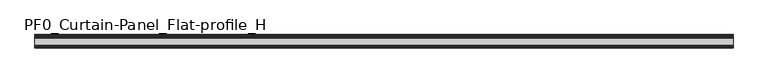
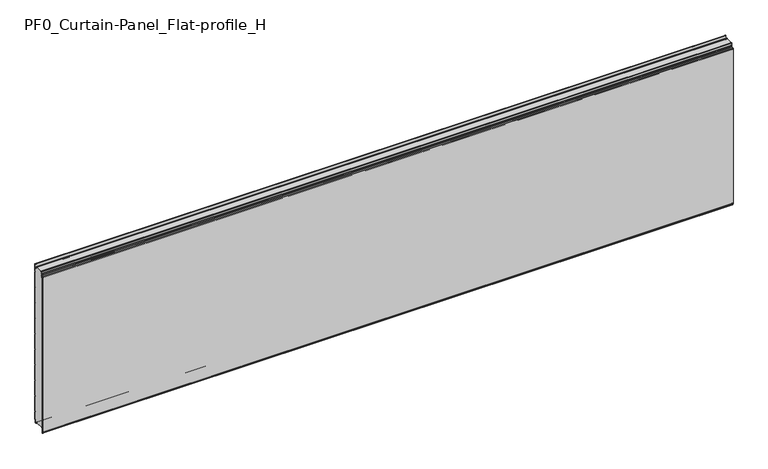
"""IFC4 building model written with IfcOpenShell, lengths in millimetres: plate geometry, PF0_Curtain-Panel_Flat-profile_H."""

from ifc_helpers import new_model, si_unit, point, frame, frame_2d, origin, place, context, project, spatial, polyline, circle_curve, trimmed, segment, composite_curve, outline, extrude, source, transform, mapped, element, save
from ifc_brep_helpers import plane_surface, cylinder_surface, revolved_surface, advanced_brep


def pf0_curtain_panel_flat_profile_h_52bb1f11(model_context):
    return source(origin(), model_context, "Body", "SolidModel", [
        advanced_brep(
        [(-2100.0, -15.878557, 0.0), (-2100.0, -20.0, 0.0), (-2100.0, -20.0, 0.8), (-2100.0, -15.878557, 0.8), (-2100.0, -13.1503208, -1.370137), (-2100.0, -11.728236, -7.529863), (-2100.0, -6.2, -6.9), (-2100.0, -6.2, 8.6), (-2100.0, -3.4, 11.4), (-2100.0, -2.0, 11.4), (-2100.0, -0.8, 12.6), (-2100.0, -0.8, 57.6856412), (-2100.0, -2.482606, 60.6), (-2100.0, -0.8, 63.5143588), (-2100.0, -0.8, 157.6856412), (-2100.0, -2.482606, 160.6), (-2100.0, -0.8, 163.5143588), (-2100.0, -0.8, 257.6856412), (-2100.0, -2.482606, 260.6), (-2100.0, -0.8, 263.5143588), (-2100.0, -0.8, 357.6856412), (-2100.0, -2.482606, 360.6), (-2100.0, -0.8, 363.5143588), (-2100.0, -0.8, 457.6856412), (-2100.0, -2.482606, 460.6), (-2100.0, -0.8, 463.5143588), (-2100.0, -0.8, 557.6856412), (-2100.0, -2.482606, 560.6), (-2100.0, -0.8, 563.5143588), (-2100.0, -0.8, 657.6856412), (-2100.0, -2.482606, 660.6), (-2100.0, -0.8, 663.5143588), (-2100.0, -0.8, 757.6856412), (-2100.0, -2.482606, 760.6), (-2100.0, -0.8, 763.5143588), (-2100.0, -0.8, 857.6856412), (-2100.0, -2.482606, 860.6), (-2100.0, -0.8, 863.5143588), (-2100.0, -0.8, 957.6856412), (-2100.0, -2.482606, 960.6), (-2100.0, -0.8, 963.5143588), (-2100.0, -0.8, 1008.1), (-2100.0, -4.2, 1008.1), (-2100.0, -4.2, 991.1), (-2100.0, -13.7270771, 990.2664884), (-2100.0, -14.8636953, 996.7125669), (-2100.0, -16.6363492, 998.2), (-2100.0, -20.0, 998.2), (-2100.0, -20.0, 999.0), (-2100.0, -16.6363492, 999.0), (-2100.0, -14.0758491, 996.8514855), (-2100.0, -12.939231, 990.405407), (-2100.0, -5.0, 991.1), (-2100.0, -5.0, 1008.1), (-2100.0, -2.5, 1010.6), (-2100.0, 0.0, 1008.1), (-2100.0, 0.0, 963.2999995), (-2100.0, -1.5588455, 960.6), (-2100.0, 0.0, 957.9000005), (-2100.0, 0.0, 863.2999995), (-2100.0, -1.5588455, 860.6), (-2100.0, 0.0, 857.9000005), (-2100.0, 0.0, 763.2999995), (-2100.0, -1.5588455, 760.6), (-2100.0, 0.0, 757.9000005), (-2100.0, 0.0, 663.2999995), (-2100.0, -1.5588455, 660.6), (-2100.0, 0.0, 657.9000005), (-2100.0, 0.0, 563.2999995), (-2100.0, -1.5588455, 560.6), (-2100.0, 0.0, 557.9000005), (-2100.0, 0.0, 463.2999995), (-2100.0, -1.5588455, 460.6), (-2100.0, 0.0, 457.9000005), (-2100.0, 0.0, 363.2999995), (-2100.0, -1.5588455, 360.6), (-2100.0, 0.0, 357.9000005), (-2100.0, 0.0, 263.2999995), (-2100.0, -1.5588455, 260.6), (-2100.0, 0.0, 257.9000005), (-2100.0, 0.0, 163.2999995), (-2100.0, -1.5588455, 160.6), (-2100.0, 0.0, 157.9000005), (-2100.0, 0.0, 63.2999995), (-2100.0, -1.5588455, 60.6), (-2100.0, 0.0, 57.9000005), (-2100.0, 0.0, 12.6), (-2100.0, -2.0, 10.6), (-2100.0, -3.4, 10.6), (-2100.0, -5.4, 8.6), (-2100.0, -5.4, -6.9), (-2100.0, -12.5077322, -7.7098239), (-2100.0, -13.929817, -1.5500979), (2100.0, -15.878557, 0.0), (2100.0, -13.9298169, -1.5500978), (2100.0, -12.507732, -7.7098239), (2100.0, -5.4, -6.9), (2100.0, -5.4, 8.6), (2100.0, -3.4, 10.6), (2100.0, -2.0, 10.6), (2100.0, 0.0, 12.6), (2100.0, 0.0, 57.9000005), (2100.0, -1.5588455, 60.6), (2100.0, 0.0, 63.2999995), (2100.0, 0.0, 157.9000005), (2100.0, -1.5588455, 160.6), (2100.0, 0.0, 163.2999995), (2100.0, 0.0, 257.9000005), (2100.0, -1.5588455, 260.6), (2100.0, 0.0, 263.2999995), (2100.0, 0.0, 357.9000005), (2100.0, -1.5588455, 360.6), (2100.0, 0.0, 363.2999995), (2100.0, 0.0, 457.9000005), (2100.0, -1.5588455, 460.6), (2100.0, 0.0, 463.2999995), (2100.0, 0.0, 557.9000005), (2100.0, -1.5588455, 560.6), (2100.0, 0.0, 563.2999995), (2100.0, 0.0, 657.9000005), (2100.0, -1.5588455, 660.6), (2100.0, 0.0, 663.2999995), (2100.0, 0.0, 757.9000005), (2100.0, -1.5588455, 760.6), (2100.0, 0.0, 763.2999995), (2100.0, 0.0, 857.9000005), (2100.0, -1.5588455, 860.6), (2100.0, 0.0, 863.2999995), (2100.0, 0.0, 957.9000005), (2100.0, -1.5588455, 960.6), (2100.0, 0.0, 963.2999995), (2100.0, 0.0, 1008.1), (2100.0, -2.5, 1010.6), (2100.0, -5.0, 1008.1), (2100.0, -5.0, 991.1), (2100.0, -12.939231, 990.405407), (2100.0, -14.0758491, 996.8514855), (2100.0, -16.6363492, 999.0), (2100.0, -20.0, 999.0), (2100.0, -20.0, 998.2), (2100.0, -16.6363492, 998.2), (2100.0, -14.8636953, 996.7125669), (2100.0, -13.7270772, 990.2664884), (2100.0, -4.2, 991.1), (2100.0, -4.2, 1008.1), (2100.0, -0.8, 1008.1), (2100.0, -0.8, 963.5143588), (2100.0, -2.482606, 960.6), (2100.0, -0.8, 957.6856412), (2100.0, -0.8, 863.5143588), (2100.0, -2.482606, 860.6), (2100.0, -0.8, 857.6856412), (2100.0, -0.8, 763.5143588), (2100.0, -2.482606, 760.6), (2100.0, -0.8, 757.6856412), (2100.0, -0.8, 663.5143588), (2100.0, -2.482606, 660.6), (2100.0, -0.8, 657.6856412), (2100.0, -0.8, 563.5143588), (2100.0, -2.482606, 560.6), (2100.0, -0.8, 557.6856412), (2100.0, -0.8, 463.5143588), (2100.0, -2.482606, 460.6), (2100.0, -0.8, 457.6856412), (2100.0, -0.8, 363.5143588), (2100.0, -2.482606, 360.6), (2100.0, -0.8, 357.6856412), (2100.0, -0.8, 263.5143588), (2100.0, -2.482606, 260.6), (2100.0, -0.8, 257.6856412), (2100.0, -0.8, 163.5143588), (2100.0, -2.482606, 160.6), (2100.0, -0.8, 157.6856412), (2100.0, -0.8, 63.5143588), (2100.0, -2.482606, 60.6), (2100.0, -0.8, 57.6856412), (2100.0, -0.8, 12.6), (2100.0, -2.0, 11.4), (2100.0, -3.4, 11.4), (2100.0, -6.2, 8.6), (2100.0, -6.2, -6.9), (2100.0, -11.7282362, -7.529863), (2100.0, -13.150321, -1.370137), (2100.0, -15.878557, 0.8), (2100.0, -20.0, 0.8), (2100.0, -20.0, 0.0)],
        [
            (0, 1),
            (1, 2),
            (2, 3),
            (3, 4, circle_curve(frame((-2100.0, -15.878557, -2.0), z_axis=(-1.0, 0.0, 0.0), x_axis=(0.0, 0.0, 1.0)), 2.8)),
            (4, 5),
            (5, 6, circle_curve(frame((-2100.0, -9.0, -6.9), z_axis=(1.0, 0.0, 0.0), x_axis=(0.0, 0.0, 1.0)), 2.8)),
            (6, 7),
            (7, 8, circle_curve(frame((-2100.0, -3.4, 8.6), z_axis=(-1.0, 0.0, 0.0), x_axis=(0.0, 0.0, 1.0)), 2.8)),
            (8, 9),
            (9, 10, circle_curve(frame((-2100.0, -2.0, 12.6), z_axis=(1.0, 0.0, 0.0), x_axis=(0.0, 0.0, 1.0)), 1.2)),
            (10, 11),
            (11, 12),
            (12, 13),
            (13, 14),
            (14, 15),
            (15, 16),
            (16, 17),
            (17, 18),
            (18, 19),
            (19, 20),
            (20, 21),
            (21, 22),
            (22, 23),
            (23, 24),
            (24, 25),
            (25, 26),
            (26, 27),
            (27, 28),
            (28, 29),
            (29, 30),
            (30, 31),
            (31, 32),
            (32, 33),
            (33, 34),
            (34, 35),
            (35, 36),
            (36, 37),
            (37, 38),
            (38, 39),
            (39, 40),
            (40, 41),
            (41, 42, circle_curve(frame((-2100.0, -2.5, 1008.1), z_axis=(1.0, 0.0, 0.0), x_axis=(0.0, 0.0, 1.0)), 1.7)),
            (42, 43),
            (43, 44, circle_curve(frame((-2100.0, -9.0, 991.1), z_axis=(-1.0, 0.0, 0.0), x_axis=(0.0, 0.0, 1.0)), 4.8)),
            (44, 45),
            (45, 46, circle_curve(frame((-2100.0, -16.6363492, 996.4), z_axis=(1.0, 0.0, 0.0), x_axis=(0.0, 0.0, 1.0)), 1.8)),
            (46, 47),
            (47, 48),
            (48, 49),
            (49, 50, circle_curve(frame((-2100.0, -16.6363492, 996.4), z_axis=(-1.0, 0.0, 0.0), x_axis=(0.0, 0.0, 1.0)), 2.6)),
            (50, 51),
            (51, 52, circle_curve(frame((-2100.0, -9.0, 991.1), z_axis=(1.0, 0.0, 0.0), x_axis=(0.0, 0.0, 1.0)), 4.0)),
            (52, 53),
            (53, 54, circle_curve(frame((-2100.0, -2.5, 1008.1), z_axis=(-1.0, 0.0, 0.0), x_axis=(0.0, 0.0, 1.0)), 2.5)),
            (54, 55, circle_curve(frame((-2100.0, -2.5, 1008.1), z_axis=(-1.0, 0.0, 0.0), x_axis=(0.0, 0.0, 1.0)), 2.5)),
            (55, 56),
            (56, 57),
            (57, 58),
            (58, 59),
            (59, 60),
            (60, 61),
            (61, 62),
            (62, 63),
            (63, 64),
            (64, 65),
            (65, 66),
            (66, 67),
            (67, 68),
            (68, 69),
            (69, 70),
            (70, 71),
            (71, 72),
            (72, 73),
            (73, 74),
            (74, 75),
            (75, 76),
            (76, 77),
            (77, 78),
            (78, 79),
            (79, 80),
            (80, 81),
            (81, 82),
            (82, 83),
            (83, 84),
            (84, 85),
            (85, 86),
            (86, 87, circle_curve(frame((-2100.0, -2.0, 12.6), z_axis=(-1.0, 0.0, 0.0), x_axis=(0.0, 0.0, 1.0)), 2.0)),
            (87, 88),
            (88, 89, circle_curve(frame((-2100.0, -3.4, 8.6), z_axis=(1.0, 0.0, 0.0), x_axis=(0.0, 0.0, 1.0)), 2.0)),
            (89, 90),
            (90, 91, circle_curve(frame((-2100.0, -9.0, -6.9), z_axis=(-1.0, 0.0, 0.0), x_axis=(0.0, 0.0, 1.0)), 3.6)),
            (91, 92),
            (92, 0, circle_curve(frame((-2100.0, -15.878557, -2.0), z_axis=(1.0, 0.0, 0.0), x_axis=(0.0, 0.0, 1.0)), 2.0)),
            (93, 94, circle_curve(frame((2100.0, -15.878557, -2.0), z_axis=(-1.0, 0.0, 0.0), x_axis=(0.0, 0.0, 1.0)), 2.0)),
            (94, 95),
            (95, 96, circle_curve(frame((2100.0, -9.0, -6.9), z_axis=(1.0, 0.0, 0.0), x_axis=(0.0, 0.0, 1.0)), 3.6)),
            (96, 97),
            (97, 98, circle_curve(frame((2100.0, -3.4, 8.6), z_axis=(-1.0, 0.0, 0.0), x_axis=(0.0, 0.0, 1.0)), 2.0)),
            (98, 99),
            (99, 100, circle_curve(frame((2100.0, -2.0, 12.6), z_axis=(1.0, 0.0, 0.0), x_axis=(0.0, 0.0, 1.0)), 2.0)),
            (100, 101),
            (101, 102),
            (102, 103),
            (103, 104),
            (104, 105),
            (105, 106),
            (106, 107),
            (107, 108),
            (108, 109),
            (109, 110),
            (110, 111),
            (111, 112),
            (112, 113),
            (113, 114),
            (114, 115),
            (115, 116),
            (116, 117),
            (117, 118),
            (118, 119),
            (119, 120),
            (120, 121),
            (121, 122),
            (122, 123),
            (123, 124),
            (124, 125),
            (125, 126),
            (126, 127),
            (127, 128),
            (128, 129),
            (129, 130),
            (130, 131),
            (131, 132, circle_curve(frame((2100.0, -2.5, 1008.1), z_axis=(1.0, 0.0, 0.0), x_axis=(0.0, 0.0, 1.0)), 2.5)),
            (132, 133, circle_curve(frame((2100.0, -2.5, 1008.1), z_axis=(1.0, 0.0, 0.0), x_axis=(0.0, 0.0, 1.0)), 2.5)),
            (133, 134),
            (134, 135, circle_curve(frame((2100.0, -9.0, 991.1), z_axis=(-1.0, 0.0, 0.0), x_axis=(0.0, 0.0, 1.0)), 4.0)),
            (135, 136),
            (136, 137, circle_curve(frame((2100.0, -16.6363492, 996.4), z_axis=(1.0, 0.0, 0.0), x_axis=(0.0, 0.0, 1.0)), 2.6)),
            (137, 138),
            (138, 139),
            (139, 140),
            (140, 141, circle_curve(frame((2100.0, -16.6363492, 996.4), z_axis=(-1.0, 0.0, 0.0), x_axis=(0.0, 0.0, 1.0)), 1.8)),
            (141, 142),
            (142, 143, circle_curve(frame((2100.0, -9.0, 991.1), z_axis=(1.0, 0.0, 0.0), x_axis=(0.0, 0.0, 1.0)), 4.8)),
            (143, 144),
            (144, 145, circle_curve(frame((2100.0, -2.5, 1008.1), z_axis=(-1.0, 0.0, 0.0), x_axis=(0.0, 0.0, 1.0)), 1.7)),
            (145, 146),
            (146, 147),
            (147, 148),
            (148, 149),
            (149, 150),
            (150, 151),
            (151, 152),
            (152, 153),
            (153, 154),
            (154, 155),
            (155, 156),
            (156, 157),
            (157, 158),
            (158, 159),
            (159, 160),
            (160, 161),
            (161, 162),
            (162, 163),
            (163, 164),
            (164, 165),
            (165, 166),
            (166, 167),
            (167, 168),
            (168, 169),
            (169, 170),
            (170, 171),
            (171, 172),
            (172, 173),
            (173, 174),
            (174, 175),
            (175, 176),
            (176, 177, circle_curve(frame((2100.0, -2.0, 12.6), z_axis=(-1.0, 0.0, 0.0), x_axis=(0.0, 0.0, 1.0)), 1.2)),
            (177, 178),
            (178, 179, circle_curve(frame((2100.0, -3.4, 8.6), z_axis=(1.0, 0.0, 0.0), x_axis=(0.0, 0.0, 1.0)), 2.8)),
            (179, 180),
            (180, 181, circle_curve(frame((2100.0, -9.0, -6.9), z_axis=(-1.0, 0.0, 0.0), x_axis=(0.0, 0.0, 1.0)), 2.8)),
            (181, 182),
            (182, 183, circle_curve(frame((2100.0, -15.878557, -2.0), z_axis=(1.0, 0.0, 0.0), x_axis=(0.0, 0.0, 1.0)), 2.8)),
            (183, 184),
            (184, 185),
            (185, 93),
            (0, 93),
            (185, 1),
            (184, 2),
            (183, 3),
            (182, 4),
            (181, 5),
            (180, 6),
            (179, 7),
            (178, 8),
            (177, 9),
            (176, 10),
            (175, 11),
            (174, 12),
            (173, 13),
            (172, 14),
            (171, 15),
            (170, 16),
            (169, 17),
            (168, 18),
            (167, 19),
            (166, 20),
            (165, 21),
            (164, 22),
            (163, 23),
            (162, 24),
            (161, 25),
            (160, 26),
            (159, 27),
            (158, 28),
            (157, 29),
            (156, 30),
            (155, 31),
            (154, 32),
            (153, 33),
            (152, 34),
            (151, 35),
            (150, 36),
            (149, 37),
            (148, 38),
            (147, 39),
            (146, 40),
            (145, 41),
            (144, 42),
            (143, 43),
            (142, 44),
            (141, 45),
            (140, 46),
            (139, 47),
            (138, 48),
            (137, 49),
            (136, 50),
            (135, 51),
            (134, 52),
            (133, 53),
            (131, 55),
            (130, 56),
            (129, 57),
            (128, 58),
            (127, 59),
            (126, 60),
            (125, 61),
            (124, 62),
            (123, 63),
            (122, 64),
            (121, 65),
            (120, 66),
            (119, 67),
            (118, 68),
            (117, 69),
            (116, 70),
            (115, 71),
            (114, 72),
            (113, 73),
            (112, 74),
            (111, 75),
            (110, 76),
            (109, 77),
            (108, 78),
            (107, 79),
            (106, 80),
            (105, 81),
            (104, 82),
            (103, 83),
            (102, 84),
            (101, 85),
            (100, 86),
            (99, 87),
            (98, 88),
            (97, 89),
            (96, 90),
            (95, 91),
            (94, 92),
        ],
        [
            plane_surface(frame((-2100.0, 0.0, 0.0), z_axis=(-1.0, 0.0, 0.0), x_axis=(0.0, 1.0, 0.0))),
            plane_surface(frame((2100.0, 0.0, 0.0), z_axis=(1.0, 0.0, 0.0), x_axis=(0.0, 1.0, 0.0))),
            plane_surface(frame((-2100.0, -15.878557, 0.0), z_axis=(0.0, 0.0, -1.0), x_axis=(1.0, 0.0, 0.0))),
            plane_surface(frame((-2100.0, -20.0, 0.0), z_axis=(0.0, -1.0, 0.0), x_axis=(1.0, 0.0, 0.0))),
            plane_surface(frame((-2100.0, -20.0, 0.8), z_axis=(0.0, 0.0, 1.0), x_axis=(1.0, 0.0, 0.0))),
            cylinder_surface(frame((-2100.0, -15.878557, -2.0), z_axis=(-1.0, 0.0, 0.0), x_axis=(0.0, 0.0, 1.0)), 2.8),
            plane_surface(frame((-2100.0, -13.150321, -1.370137), z_axis=(0.0, 0.9743700578318181, 0.22495108446242168), x_axis=(1.0, 0.0, 0.0))),
            revolved_surface(polyline([(2100.0, -9.0, -4.1000000000000005), (-2100.0, -9.0, -4.1000000000000005)]), (-2100.0, -9.0, -6.9), (1.0, 0.0, 0.0)),
            plane_surface(frame((-2100.0, -6.2, -6.9), z_axis=(0.0, -1.0, 0.0), x_axis=(1.0, 0.0, 0.0))),
            cylinder_surface(frame((-2100.0, -3.4, 8.6), z_axis=(-1.0, 0.0, 0.0), x_axis=(0.0, 0.0, 1.0)), 2.8),
            plane_surface(frame((-2100.0, -3.4, 11.4), z_axis=(0.0, 0.0, 1.0), x_axis=(1.0, 0.0, 0.0))),
            revolved_surface(polyline([(2100.0, -2.0, 13.799999999999999), (-2100.0, -2.0, 13.799999999999999)]), (-2100.0, -2.0, 12.6), (1.0, 0.0, 0.0)),
            plane_surface(frame((-2100.0, -0.8, 12.6), z_axis=(0.0, -1.0, 0.0), x_axis=(1.0, 0.0, 0.0))),
            plane_surface(frame((-2100.0, -0.8, 57.6856412), z_axis=(0.0, -0.8660253865035757, -0.5000000299313314), x_axis=(1.0, 0.0, 0.0))),
            plane_surface(frame((-2100.0, -2.482606, 60.6), z_axis=(0.0, -0.8660253865035789, 0.5000000299313261), x_axis=(1.0, 0.0, 0.0))),
            plane_surface(frame((-2100.0, -0.8, 63.5143588), z_axis=(0.0, -1.0, 0.0), x_axis=(1.0, 0.0, 0.0))),
            plane_surface(frame((-2100.0, -0.8, 157.6856412), z_axis=(0.0, -0.8660253865035755, -0.5000000299313319), x_axis=(1.0, 0.0, 0.0))),
            plane_surface(frame((-2100.0, -2.482606, 160.6), z_axis=(0.0, -0.8660253865035777, 0.5000000299313279), x_axis=(1.0, 0.0, 0.0))),
            plane_surface(frame((-2100.0, -0.8, 163.5143588), z_axis=(0.0, -1.0, 0.0), x_axis=(1.0, 0.0, 0.0))),
            plane_surface(frame((-2100.0, -0.8, 257.6856412), z_axis=(0.0, -0.8660253865035755, -0.5000000299313319), x_axis=(1.0, 0.0, 0.0))),
            plane_surface(frame((-2100.0, -2.482606, 260.6), z_axis=(0.0, -0.8660253865035777, 0.5000000299313279), x_axis=(1.0, 0.0, 0.0))),
            plane_surface(frame((-2100.0, -0.8, 263.5143588), z_axis=(0.0, -1.0, 0.0), x_axis=(1.0, 0.0, 0.0))),
            plane_surface(frame((-2100.0, -0.8, 357.6856412), z_axis=(0.0, -0.8660253865035754, -0.500000029931332), x_axis=(1.0, 0.0, 0.0))),
            plane_surface(frame((-2100.0, -2.482606, 360.6), z_axis=(0.0, -0.8660253865035789, 0.5000000299313261), x_axis=(1.0, 0.0, 0.0))),
            plane_surface(frame((-2100.0, -0.8, 363.5143588), z_axis=(0.0, -1.0, 0.0), x_axis=(1.0, 0.0, 0.0))),
            plane_surface(frame((-2100.0, -0.8, 457.6856412), z_axis=(0.0, -0.8660253865035755, -0.5000000299313319), x_axis=(1.0, 0.0, 0.0))),
            plane_surface(frame((-2100.0, -2.482606, 460.6), z_axis=(0.0, -0.8660253865035785, 0.5000000299313266), x_axis=(1.0, 0.0, 0.0))),
            plane_surface(frame((-2100.0, -0.8, 463.5143588), z_axis=(0.0, -1.0, 0.0), x_axis=(1.0, 0.0, 0.0))),
            plane_surface(frame((-2100.0, -0.8, 557.6856412), z_axis=(0.0, -0.8660253865035755, -0.500000029931332), x_axis=(1.0, 0.0, 0.0))),
            plane_surface(frame((-2100.0, -2.482606, 560.6), z_axis=(0.0, -0.8660253865035789, 0.500000029931326), x_axis=(1.0, 0.0, 0.0))),
            plane_surface(frame((-2100.0, -0.8, 563.5143588), z_axis=(0.0, -1.0, 0.0), x_axis=(1.0, 0.0, 0.0))),
            plane_surface(frame((-2100.0, -0.8, 657.6856412), z_axis=(0.0, -0.8660253865035755, -0.5000000299313317), x_axis=(1.0, 0.0, 0.0))),
            plane_surface(frame((-2100.0, -2.482606, 660.6), z_axis=(0.0, -0.8660253865035772, 0.5000000299313291), x_axis=(1.0, 0.0, 0.0))),
            plane_surface(frame((-2100.0, -0.8, 663.5143588), z_axis=(0.0, -1.0, 0.0), x_axis=(1.0, 0.0, 0.0))),
            plane_surface(frame((-2100.0, -0.8, 757.6856412), z_axis=(0.0, -0.8660253865035755, -0.5000000299313319), x_axis=(1.0, 0.0, 0.0))),
            plane_surface(frame((-2100.0, -2.482606, 760.6), z_axis=(0.0, -0.8660253865035771, 0.5000000299313291), x_axis=(1.0, 0.0, 0.0))),
            plane_surface(frame((-2100.0, -0.8, 763.5143588), z_axis=(0.0, -1.0, 0.0), x_axis=(1.0, 0.0, 0.0))),
            plane_surface(frame((-2100.0, -0.8, 857.6856412), z_axis=(0.0, -0.8660253865035755, -0.5000000299313319), x_axis=(1.0, 0.0, 0.0))),
            plane_surface(frame((-2100.0, -2.482606, 860.6), z_axis=(0.0, -0.8660253865035775, 0.5000000299313283), x_axis=(1.0, 0.0, 0.0))),
            plane_surface(frame((-2100.0, -0.8, 863.5143588), z_axis=(0.0, -1.0, 0.0), x_axis=(1.0, 0.0, 0.0))),
            plane_surface(frame((-2100.0, -0.8, 957.6856412), z_axis=(0.0, -0.8660253865035755, -0.500000029931332), x_axis=(1.0, 0.0, 0.0))),
            plane_surface(frame((-2100.0, -2.482606, 960.6), z_axis=(0.0, -0.8660253865035771, 0.5000000299313291), x_axis=(1.0, 0.0, 0.0))),
            plane_surface(frame((-2100.0, -0.8, 963.5143588), z_axis=(0.0, -1.0, 0.0), x_axis=(1.0, 0.0, 0.0))),
            revolved_surface(polyline([(2100.0, -2.5, 1009.8000000000001), (-2100.0, -2.5, 1009.8000000000001)]), (-2100.0, -2.5, 1008.1), (1.0, 0.0, 0.0)),
            plane_surface(frame((-2100.0, -4.2, 1008.1), z_axis=(0.0, 1.0, 0.0), x_axis=(1.0, 0.0, 0.0))),
            cylinder_surface(frame((-2100.0, -9.0, 991.1), z_axis=(-1.0, 0.0, 0.0), x_axis=(0.0, 0.0, 1.0)), 4.8),
            plane_surface(frame((-2100.0, -13.7270772, 990.2664884), z_axis=(0.0, -0.9848077391954005, -0.17364825602592165), x_axis=(1.0, 0.0, 0.0))),
            revolved_surface(polyline([(2100.0, -16.6363492, 998.1999999999999), (-2100.0, -16.6363492, 998.1999999999999)]), (-2100.0, -16.6363492, 996.4), (1.0, 0.0, 0.0)),
            plane_surface(frame((-2100.0, -16.6363492, 998.2), z_axis=(0.0, 0.0, -1.0), x_axis=(1.0, 0.0, 0.0))),
            plane_surface(frame((-2100.0, -20.0, 998.2), z_axis=(0.0, -1.0, 0.0), x_axis=(1.0, 0.0, 0.0))),
            plane_surface(frame((-2100.0, -20.0, 999.0), z_axis=(0.0, 0.0, 1.0), x_axis=(1.0, 0.0, 0.0))),
            cylinder_surface(frame((-2100.0, -16.6363492, 996.4), z_axis=(-1.0, 0.0, 0.0), x_axis=(0.0, 0.0, 1.0)), 2.6),
            plane_surface(frame((-2100.0, -14.0758491, 996.8514855), z_axis=(0.0, 0.9848077391954003, 0.1736482560259224), x_axis=(1.0, 0.0, 0.0))),
            revolved_surface(polyline([(2100.0, -9.0, 995.1), (-2100.0, -9.0, 995.1)]), (-2100.0, -9.0, 991.1), (1.0, 0.0, 0.0)),
            plane_surface(frame((-2100.0, -5.0, 991.1), z_axis=(0.0, -1.0, 0.0), x_axis=(1.0, 0.0, 0.0))),
            cylinder_surface(frame((-2100.0, -2.5, 1008.1), z_axis=(-1.0, 0.0, 0.0), x_axis=(0.0, 0.0, 1.0)), 2.5),
            plane_surface(frame((-2100.0, 0.0, 1008.1), z_axis=(0.0, 1.0, 0.0), x_axis=(1.0, 0.0, 0.0))),
            plane_surface(frame((-2100.0, 0.0, 963.2999995), z_axis=(0.0, 0.8660253865035786, -0.5000000299313263), x_axis=(1.0, 0.0, 0.0))),
            plane_surface(frame((-2100.0, -1.5588455, 960.6), z_axis=(0.0, 0.8660253865035755, 0.5000000299313319), x_axis=(1.0, 0.0, 0.0))),
            plane_surface(frame((-2100.0, 0.0, 957.9000005), z_axis=(0.0, 1.0, 0.0), x_axis=(1.0, 0.0, 0.0))),
            plane_surface(frame((-2100.0, 0.0, 863.2999995), z_axis=(0.0, 0.8660253865035786, -0.5000000299313263), x_axis=(1.0, 0.0, 0.0))),
            plane_surface(frame((-2100.0, -1.5588455, 860.6), z_axis=(0.0, 0.8660253865035755, 0.5000000299313319), x_axis=(1.0, 0.0, 0.0))),
            plane_surface(frame((-2100.0, 0.0, 857.9000005), z_axis=(0.0, 1.0, 0.0), x_axis=(1.0, 0.0, 0.0))),
            plane_surface(frame((-2100.0, 0.0, 763.2999995), z_axis=(0.0, 0.8660253865035786, -0.5000000299313263), x_axis=(1.0, 0.0, 0.0))),
            plane_surface(frame((-2100.0, -1.5588455, 760.6), z_axis=(0.0, 0.8660253865035755, 0.5000000299313319), x_axis=(1.0, 0.0, 0.0))),
            plane_surface(frame((-2100.0, 0.0, 757.9000005), z_axis=(0.0, 1.0, 0.0), x_axis=(1.0, 0.0, 0.0))),
            plane_surface(frame((-2100.0, 0.0, 663.2999995), z_axis=(0.0, 0.8660253865035786, -0.5000000299313263), x_axis=(1.0, 0.0, 0.0))),
            plane_surface(frame((-2100.0, -1.5588455, 660.6), z_axis=(0.0, 0.8660253865035755, 0.5000000299313319), x_axis=(1.0, 0.0, 0.0))),
            plane_surface(frame((-2100.0, 0.0, 657.9000005), z_axis=(0.0, 1.0, 0.0), x_axis=(1.0, 0.0, 0.0))),
            plane_surface(frame((-2100.0, 0.0, 563.2999995), z_axis=(0.0, 0.8660253865035786, -0.5000000299313263), x_axis=(1.0, 0.0, 0.0))),
            plane_surface(frame((-2100.0, -1.5588455, 560.6), z_axis=(0.0, 0.8660253865035755, 0.5000000299313319), x_axis=(1.0, 0.0, 0.0))),
            plane_surface(frame((-2100.0, 0.0, 557.9000005), z_axis=(0.0, 1.0, 0.0), x_axis=(1.0, 0.0, 0.0))),
            plane_surface(frame((-2100.0, 0.0, 463.2999995), z_axis=(0.0, 0.8660253865035786, -0.5000000299313263), x_axis=(1.0, 0.0, 0.0))),
            plane_surface(frame((-2100.0, -1.5588455, 460.6), z_axis=(0.0, 0.8660253865035755, 0.5000000299313319), x_axis=(1.0, 0.0, 0.0))),
            plane_surface(frame((-2100.0, 0.0, 457.9000005), z_axis=(0.0, 1.0, 0.0), x_axis=(1.0, 0.0, 0.0))),
            plane_surface(frame((-2100.0, 0.0, 363.2999995), z_axis=(0.0, 0.8660253865035786, -0.5000000299313263), x_axis=(1.0, 0.0, 0.0))),
            plane_surface(frame((-2100.0, -1.5588455, 360.6), z_axis=(0.0, 0.8660253865035755, 0.5000000299313319), x_axis=(1.0, 0.0, 0.0))),
            plane_surface(frame((-2100.0, 0.0, 357.9000005), z_axis=(0.0, 1.0, 0.0), x_axis=(1.0, 0.0, 0.0))),
            plane_surface(frame((-2100.0, 0.0, 263.2999995), z_axis=(0.0, 0.8660253865035786, -0.5000000299313263), x_axis=(1.0, 0.0, 0.0))),
            plane_surface(frame((-2100.0, -1.5588455, 260.6), z_axis=(0.0, 0.8660253865035755, 0.5000000299313319), x_axis=(1.0, 0.0, 0.0))),
            plane_surface(frame((-2100.0, 0.0, 257.9000005), z_axis=(0.0, 1.0, 0.0), x_axis=(1.0, 0.0, 0.0))),
            plane_surface(frame((-2100.0, 0.0, 163.2999995), z_axis=(0.0, 0.8660253865035786, -0.5000000299313263), x_axis=(1.0, 0.0, 0.0))),
            plane_surface(frame((-2100.0, -1.5588455, 160.6), z_axis=(0.0, 0.8660253865035755, 0.5000000299313319), x_axis=(1.0, 0.0, 0.0))),
            plane_surface(frame((-2100.0, 0.0, 157.9000005), z_axis=(0.0, 1.0, 0.0), x_axis=(1.0, 0.0, 0.0))),
            plane_surface(frame((-2100.0, 0.0, 63.2999995), z_axis=(0.0, 0.8660253865035786, -0.5000000299313263), x_axis=(1.0, 0.0, 0.0))),
            plane_surface(frame((-2100.0, -1.5588455, 60.6), z_axis=(0.0, 0.8660253865035755, 0.5000000299313319), x_axis=(1.0, 0.0, 0.0))),
            plane_surface(frame((-2100.0, 0.0, 57.9000005), z_axis=(0.0, 1.0, 0.0), x_axis=(1.0, 0.0, 0.0))),
            cylinder_surface(frame((-2100.0, -2.0, 12.6), z_axis=(-1.0, 0.0, 0.0), x_axis=(0.0, 0.0, 1.0)), 2.0),
            plane_surface(frame((-2100.0, -2.0, 10.6), z_axis=(0.0, 0.0, -1.0), x_axis=(1.0, 0.0, 0.0))),
            revolved_surface(polyline([(2100.0, -3.4, 10.6), (-2100.0, -3.4, 10.6)]), (-2100.0, -3.4, 8.6), (1.0, 0.0, 0.0)),
            plane_surface(frame((-2100.0, -5.4, 8.6), z_axis=(0.0, 1.0, 0.0), x_axis=(1.0, 0.0, 0.0))),
            cylinder_surface(frame((-2100.0, -9.0, -6.9), z_axis=(-1.0, 0.0, 0.0), x_axis=(0.0, 0.0, 1.0)), 3.6),
            plane_surface(frame((-2100.0, -12.507732, -7.7098239), z_axis=(0.0, -0.9743700578318182, -0.22495108446242174), x_axis=(1.0, 0.0, 0.0))),
            revolved_surface(polyline([(2100.0, -15.878557, 0.0), (-2100.0, -15.878557, 0.0)]), (-2100.0, -15.878557, -2.0), (1.0, 0.0, 0.0)),
        ],
        [
            (0, [[1, 2, 3, 4, 5, 6, 7, 8, 9, 10, 11, 12, 13, 14, 15, 16, 17, 18, 19, 20, 21, 22, 23, 24, 25, 26, 27, 28, 29, 30, 31, 32, 33, 34, 35, 36, 37, 38, 39, 40, 41, 42, 43, 44, 45, 46, 47, 48, 49, 50, 51, 52, 53, 54, 55, 56, 57, 58, 59, 60, 61, 62, 63, 64, 65, 66, 67, 68, 69, 70, 71, 72, 73, 74, 75, 76, 77, 78, 79, 80, 81, 82, 83, 84, 85, 86, 87, 88, 89, 90, 91, 92, 93]]),
            (1, [[94, 95, 96, 97, 98, 99, 100, 101, 102, 103, 104, 105, 106, 107, 108, 109, 110, 111, 112, 113, 114, 115, 116, 117, 118, 119, 120, 121, 122, 123, 124, 125, 126, 127, 128, 129, 130, 131, 132, 133, 134, 135, 136, 137, 138, 139, 140, 141, 142, 143, 144, 145, 146, 147, 148, 149, 150, 151, 152, 153, 154, 155, 156, 157, 158, 159, 160, 161, 162, 163, 164, 165, 166, 167, 168, 169, 170, 171, 172, 173, 174, 175, 176, 177, 178, 179, 180, 181, 182, 183, 184, 185, 186]]),
            (2, [[-1, 187, -186, 188]]),
            (3, [[-2, -188, -185, 189]]),
            (4, [[-3, -189, -184, 190]]),
            (5, [[-4, -190, -183, 191]]),
            (6, [[-5, -191, -182, 192]]),
            (7, [[-6, -192, -181, 193]]),
            (8, [[-7, -193, -180, 194]]),
            (9, [[-8, -194, -179, 195]]),
            (10, [[-9, -195, -178, 196]]),
            (11, [[-10, -196, -177, 197]]),
            (12, [[-11, -197, -176, 198]]),
            (13, [[-12, -198, -175, 199]]),
            (14, [[-13, -199, -174, 200]]),
            (15, [[-14, -200, -173, 201]]),
            (16, [[-15, -201, -172, 202]]),
            (17, [[-16, -202, -171, 203]]),
            (18, [[-17, -203, -170, 204]]),
            (19, [[-18, -204, -169, 205]]),
            (20, [[-19, -205, -168, 206]]),
            (21, [[-20, -206, -167, 207]]),
            (22, [[-21, -207, -166, 208]]),
            (23, [[-22, -208, -165, 209]]),
            (24, [[-23, -209, -164, 210]]),
            (25, [[-24, -210, -163, 211]]),
            (26, [[-25, -211, -162, 212]]),
            (27, [[-26, -212, -161, 213]]),
            (28, [[-27, -213, -160, 214]]),
            (29, [[-28, -214, -159, 215]]),
            (30, [[-29, -215, -158, 216]]),
            (31, [[-30, -216, -157, 217]]),
            (32, [[-31, -217, -156, 218]]),
            (33, [[-32, -218, -155, 219]]),
            (34, [[-33, -219, -154, 220]]),
            (35, [[-34, -220, -153, 221]]),
            (36, [[-35, -221, -152, 222]]),
            (37, [[-36, -222, -151, 223]]),
            (38, [[-37, -223, -150, 224]]),
            (39, [[-38, -224, -149, 225]]),
            (40, [[-39, -225, -148, 226]]),
            (41, [[-40, -226, -147, 227]]),
            (42, [[-41, -227, -146, 228]]),
            (43, [[-42, -228, -145, 229]]),
            (44, [[-43, -229, -144, 230]]),
            (45, [[-44, -230, -143, 231]]),
            (46, [[-45, -231, -142, 232]]),
            (47, [[-46, -232, -141, 233]]),
            (48, [[-47, -233, -140, 234]]),
            (49, [[-48, -234, -139, 235]]),
            (50, [[-49, -235, -138, 236]]),
            (51, [[-50, -236, -137, 237]]),
            (52, [[-51, -237, -136, 238]]),
            (53, [[-52, -238, -135, 239]]),
            (54, [[-53, -239, -134, 240]]),
            (55, [[-240, -133, -132, 241, -55, -54]]),
            (56, [[-56, -241, -131, 242]]),
            (57, [[-57, -242, -130, 243]]),
            (58, [[-58, -243, -129, 244]]),
            (59, [[-59, -244, -128, 245]]),
            (60, [[-60, -245, -127, 246]]),
            (61, [[-61, -246, -126, 247]]),
            (62, [[-62, -247, -125, 248]]),
            (63, [[-63, -248, -124, 249]]),
            (64, [[-64, -249, -123, 250]]),
            (65, [[-65, -250, -122, 251]]),
            (66, [[-66, -251, -121, 252]]),
            (67, [[-67, -252, -120, 253]]),
            (68, [[-68, -253, -119, 254]]),
            (69, [[-69, -254, -118, 255]]),
            (70, [[-70, -255, -117, 256]]),
            (71, [[-71, -256, -116, 257]]),
            (72, [[-72, -257, -115, 258]]),
            (73, [[-73, -258, -114, 259]]),
            (74, [[-74, -259, -113, 260]]),
            (75, [[-75, -260, -112, 261]]),
            (76, [[-76, -261, -111, 262]]),
            (77, [[-77, -262, -110, 263]]),
            (78, [[-78, -263, -109, 264]]),
            (79, [[-79, -264, -108, 265]]),
            (80, [[-80, -265, -107, 266]]),
            (81, [[-81, -266, -106, 267]]),
            (82, [[-82, -267, -105, 268]]),
            (83, [[-83, -268, -104, 269]]),
            (84, [[-84, -269, -103, 270]]),
            (85, [[-85, -270, -102, 271]]),
            (86, [[-86, -271, -101, 272]]),
            (87, [[-87, -272, -100, 273]]),
            (88, [[-88, -273, -99, 274]]),
            (89, [[-89, -274, -98, 275]]),
            (90, [[-90, -275, -97, 276]]),
            (91, [[-91, -276, -96, 277]]),
            (92, [[-92, -277, -95, 278]]),
            (93, [[-93, -278, -94, -187]]),
        ],
    ),
        extrude(outline(composite_curve([segment(polyline([(-70.0, 0.8), (-73.5, 0.8)]), True, "CONTINUOUS"), segment(trimmed(circle_curve(frame_2d((-73.5, -2.0)), 2.8), [point((-73.5, 0.8))], [point((-76.3, -2.0))], True, "CARTESIAN"), True, "CONTINUOUS"), segment(polyline([(-76.3, -2.0), (-76.3, -32.8700312)]), True, "CONTINUOUS"), segment(trimmed(circle_curve(frame_2d((-76.6, -32.8700312)), 0.3), [point((-76.3, -32.8700312))], [point((-76.9, -32.8700312))], False, "CARTESIAN"), True, "CONTINUOUS"), segment(polyline([(-76.9, -32.8700312), (-76.9, -26.9)]), True, "CONTINUOUS"), segment(trimmed(circle_curve(frame_2d((-78.6133333, -26.9)), 1.7133333), [point((-76.9, -26.9))], [point((-78.4, -25.2))], True, "CARTESIAN"), True, "CONTINUOUS"), segment(trimmed(circle_curve(frame_2d((-78.4, -24.4)), 0.8), [point((-78.4, -25.2))], [point((-79.2, -24.4))], False, "CARTESIAN"), True, "CONTINUOUS"), segment(polyline([(-79.2, -24.4), (-79.2, 972.8891513)]), True, "CONTINUOUS"), segment(trimmed(circle_curve(frame_2d((-78.9, 972.8891513)), 0.3), [point((-79.2, 972.8891513))], [point((-78.6, 972.8891513))], False, "CARTESIAN"), True, "CONTINUOUS"), segment(polyline([(-78.6, 972.8891513), (-78.6, 967.0)]), True, "CONTINUOUS"), segment(trimmed(circle_curve(frame_2d((-76.4, 967.0)), 2.2), [point((-78.6, 967.0))], [point((-74.2, 967.0))], True, "CARTESIAN"), True, "CONTINUOUS"), segment(polyline([(-74.2, 967.0), (-74.2, 967.8276204)]), True, "CONTINUOUS"), segment(trimmed(circle_curve(frame_2d((-68.8276204, 967.8276204)), 5.3723796), [point((-74.2, 967.8276204))], [point((-68.8276204, 973.2))], False, "CARTESIAN"), True, "CONTINUOUS"), segment(polyline([(-68.8276204, 973.2), (-68.0, 973.2)]), True, "CONTINUOUS"), segment(trimmed(circle_curve(frame_2d((-68.0, 975.0)), 1.8), [point((-68.0, 973.2))], [point((-66.2, 975.0))], True, "CARTESIAN"), True, "CONTINUOUS"), segment(polyline([(-66.2, 975.0), (-66.2, 981.1686302), (-64.3686285, 983.0), (-66.2, 984.8313698), (-66.2, 996.4)]), True, "CONTINUOUS"), segment(trimmed(circle_curve(frame_2d((-64.4, 996.4)), 1.8), [point((-66.2, 996.4))], [point((-64.4, 998.2))], False, "CARTESIAN"), True, "CONTINUOUS"), segment(polyline([(-64.4, 998.2), (-63.0, 998.2), (-63.0, 999.0), (-20.0, 999.0), (-20.0, 998.2), (-16.6363492, 998.2)]), True, "CONTINUOUS"), segment(trimmed(circle_curve(frame_2d((-16.6363492, 996.4)), 1.8), [point((-16.6363492, 998.2))], [point((-14.8636953, 996.7125669))], False, "CARTESIAN"), True, "CONTINUOUS"), segment(polyline([(-14.8636953, 996.7125669), (-13.7270772, 990.2664884)]), True, "CONTINUOUS"), segment(trimmed(circle_curve(frame_2d((-9.0, 991.1)), 4.8), [point((-13.7270772, 990.2664884))], [point((-4.2, 991.1))], True, "CARTESIAN"), True, "CONTINUOUS"), segment(polyline([(-4.2, 991.1), (-4.2, 1008.1)]), True, "CONTINUOUS"), segment(trimmed(circle_curve(frame_2d((-2.5, 1008.1)), 1.7), [point((-4.2, 1008.1))], [point((-0.8, 1008.1))], False, "CARTESIAN"), True, "CONTINUOUS"), segment(polyline([(-0.8, 1008.1), (-0.8, 963.5143588), (-2.482606, 960.6), (-0.8, 957.6856412), (-0.8, 863.5143588), (-2.482606, 860.6), (-0.8, 857.6856412), (-0.8, 763.5143588), (-2.482606, 760.6), (-0.8, 757.6856412), (-0.8, 663.5143588), (-2.482606, 660.6), (-0.8, 657.6856412), (-0.8, 563.5143588), (-2.482606, 560.6), (-0.8, 557.6856412), (-0.8, 463.5143588), (-2.482606, 460.6), (-0.8, 457.6856412), (-0.8, 363.5143588), (-2.482606, 360.6), (-0.8, 357.6856412), (-0.8, 263.5143588), (-2.482606, 260.6), (-0.8, 257.6856412), (-0.8, 163.5143588), (-2.482606, 160.6), (-0.8, 157.6856412), (-0.8, 63.5143588), (-2.482606, 60.6), (-0.8, 57.6856412), (-0.8, 12.6)]), True, "CONTINUOUS"), segment(trimmed(circle_curve(frame_2d((-2.0, 12.6)), 1.2), [point((-0.8, 12.6))], [point((-2.0, 11.4))], False, "CARTESIAN"), True, "CONTINUOUS"), segment(polyline([(-2.0, 11.4), (-3.4, 11.4)]), True, "CONTINUOUS"), segment(trimmed(circle_curve(frame_2d((-3.4, 8.6)), 2.8), [point((-3.4, 11.4))], [point((-6.2, 8.6))], True, "CARTESIAN"), True, "CONTINUOUS"), segment(polyline([(-6.2, 8.6), (-6.2, -6.9)]), True, "CONTINUOUS"), segment(trimmed(circle_curve(frame_2d((-9.0, -6.9)), 2.8), [point((-6.2, -6.9))], [point((-11.7282362, -7.529863))], False, "CARTESIAN"), True, "CONTINUOUS"), segment(polyline([(-11.7282362, -7.529863), (-13.1503208, -1.370137)]), True, "CONTINUOUS"), segment(trimmed(circle_curve(frame_2d((-15.878557, -2.0)), 2.8), [point((-13.1503208, -1.370137))], [point((-15.878557, 0.8))], True, "CARTESIAN"), True, "CONTINUOUS"), segment(polyline([(-15.878557, 0.8), (-20.0, 0.8), (-20.0, 0.0), (-70.0, 0.0), (-70.0, 0.8)]), True, "CONTINUOUS")], self_intersect=False)), frame((-2100.0, 0.0, 0.0), z_axis=(1.0, 0.0, 0.0), x_axis=(0.0, 1.0, 0.0)), (0.0, 0.0, 1.0), 4200.0),
        extrude(outline(composite_curve([segment(polyline([(-70.0, 0.0), (-73.5, 0.0)]), True, "CONTINUOUS"), segment(trimmed(circle_curve(frame_2d((-73.5, -2.0)), 2.0), [point((-73.5, 0.0))], [point((-75.5, -2.0))], True, "CARTESIAN"), True, "CONTINUOUS"), segment(polyline([(-75.5, -2.0), (-75.5, -33.0)]), True, "CONTINUOUS"), segment(trimmed(circle_curve(frame_2d((-76.5, -33.0)), 1.0), [point((-75.5, -33.0))], [point((-77.5, -33.0))], False, "CARTESIAN"), True, "CONTINUOUS"), segment(polyline([(-77.5, -33.0), (-77.5, -26.9)]), True, "CONTINUOUS"), segment(trimmed(circle_curve(frame_2d((-78.4, -26.9)), 0.9), [point((-77.5, -26.9))], [point((-78.4, -26.0))], True, "CARTESIAN"), True, "CONTINUOUS"), segment(trimmed(circle_curve(frame_2d((-78.4, -24.4)), 1.6), [point((-78.4, -26.0))], [point((-80.0, -24.4))], False, "CARTESIAN"), True, "CONTINUOUS"), segment(polyline([(-80.0, -24.4), (-80.0, 973.0)]), True, "CONTINUOUS"), segment(trimmed(circle_curve(frame_2d((-79.0, 973.0)), 1.0), [point((-80.0, 973.0))], [point((-78.0, 973.0))], False, "CARTESIAN"), True, "CONTINUOUS"), segment(polyline([(-78.0, 973.0), (-78.0, 967.0)]), True, "CONTINUOUS"), segment(trimmed(circle_curve(frame_2d((-76.5, 967.0)), 1.5), [point((-78.0, 967.0))], [point((-75.0, 967.0))], True, "CARTESIAN"), True, "CONTINUOUS"), segment(polyline([(-75.0, 967.0), (-75.0, 967.8276204)]), True, "CONTINUOUS"), segment(trimmed(circle_curve(frame_2d((-68.8276204, 967.8276204)), 6.1723796), [point((-75.0, 967.8276204))], [point((-68.8276204, 974.0))], False, "CARTESIAN"), True, "CONTINUOUS"), segment(polyline([(-68.8276204, 974.0), (-68.0, 974.0)]), True, "CONTINUOUS"), segment(trimmed(circle_curve(frame_2d((-68.0, 975.0)), 1.0), [point((-68.0, 974.0))], [point((-67.0, 975.0))], True, "CARTESIAN"), True, "CONTINUOUS"), segment(polyline([(-67.0, 975.0), (-67.0, 981.5000012), (-65.4999999, 983.0), (-67.0, 984.4999988), (-67.0, 996.4)]), True, "CONTINUOUS"), segment(trimmed(circle_curve(frame_2d((-64.4, 996.4)), 2.6), [point((-67.0, 996.4))], [point((-64.4, 999.0))], False, "CARTESIAN"), True, "CONTINUOUS"), segment(polyline([(-64.4, 999.0), (-63.0, 999.0), (-63.0, 998.2), (-64.4, 998.2)]), True, "CONTINUOUS"), segment(trimmed(circle_curve(frame_2d((-64.4, 996.4)), 1.8), [point((-64.4, 998.2))], [point((-66.2, 996.4))], True, "CARTESIAN"), True, "CONTINUOUS"), segment(polyline([(-66.2, 996.4), (-66.2, 984.8313698), (-64.3686285, 983.0), (-66.2, 981.1686302), (-66.2, 975.0)]), True, "CONTINUOUS"), segment(trimmed(circle_curve(frame_2d((-68.0, 975.0)), 1.8), [point((-66.2, 975.0))], [point((-68.0, 973.2))], False, "CARTESIAN"), True, "CONTINUOUS"), segment(polyline([(-68.0, 973.2), (-68.8276204, 973.2)]), True, "CONTINUOUS"), segment(trimmed(circle_curve(frame_2d((-68.8276204, 967.8276204)), 5.3723796), [point((-68.8276204, 973.2))], [point((-74.2, 967.8276204))], True, "CARTESIAN"), True, "CONTINUOUS"), segment(polyline([(-74.2, 967.8276204), (-74.2, 967.0)]), True, "CONTINUOUS"), segment(trimmed(circle_curve(frame_2d((-76.4, 967.0)), 2.2), [point((-74.2, 967.0))], [point((-78.6, 967.0))], False, "CARTESIAN"), True, "CONTINUOUS"), segment(polyline([(-78.6, 967.0), (-78.6, 972.8891513)]), True, "CONTINUOUS"), segment(trimmed(circle_curve(frame_2d((-78.9, 972.8891513)), 0.3), [point((-78.6, 972.8891513))], [point((-79.2, 972.8891513))], True, "CARTESIAN"), True, "CONTINUOUS"), segment(polyline([(-79.2, 972.8891513), (-79.2, -24.4)]), True, "CONTINUOUS"), segment(trimmed(circle_curve(frame_2d((-78.4, -24.4)), 0.8), [point((-79.2, -24.4))], [point((-78.4, -25.2))], True, "CARTESIAN"), True, "CONTINUOUS"), segment(trimmed(circle_curve(frame_2d((-78.6133333, -26.9)), 1.7133333), [point((-78.4, -25.2))], [point((-76.9, -26.9))], False, "CARTESIAN"), True, "CONTINUOUS"), segment(polyline([(-76.9, -26.9), (-76.9, -32.8700312)]), True, "CONTINUOUS"), segment(trimmed(circle_curve(frame_2d((-76.6, -32.8700312)), 0.3), [point((-76.9, -32.8700312))], [point((-76.3, -32.8700312))], True, "CARTESIAN"), True, "CONTINUOUS"), segment(polyline([(-76.3, -32.8700312), (-76.3, -2.0)]), True, "CONTINUOUS"), segment(trimmed(circle_curve(frame_2d((-73.5, -2.0)), 2.8), [point((-76.3, -2.0))], [point((-73.5, 0.8))], False, "CARTESIAN"), True, "CONTINUOUS"), segment(polyline([(-73.5, 0.8), (-70.0, 0.8), (-70.0, 0.0)]), True, "CONTINUOUS")], self_intersect=False)), frame((-2100.0, 0.0, 0.0), z_axis=(1.0, 0.0, 0.0), x_axis=(0.0, 1.0, 0.0)), (0.0, 0.0, 1.0), 4200.0),
    ])


if __name__ == "__main__":
    model = new_model("IFC4")
    model_context = context("Model", 3, world=origin())
    ifc_project = project(units=[si_unit("LENGTHUNIT", "METRE", prefix="MILLI")], contexts=[model_context])
    site = spatial("IfcSite", under=ifc_project)
    building = spatial("IfcBuilding", under=site)
    placement = place(None, origin())
    pf0_curtain_panel_flat_profile_h_shape = pf0_curtain_panel_flat_profile_h_52bb1f11(model_context)
    element("IfcPlate", 1, ObjectType="PF0_Curtain-Panel_Flat-profile_H", at=placement, inside=building, context=model_context, shape_type="MappedRepresentation", body=[
        mapped(pf0_curtain_panel_flat_profile_h_shape, transform((0.0, 0.0, 0.0), x_axis=(1.0, 0.0, 0.0), y_axis=(0.0, 1.0, 0.0), z_axis=(0.0, 0.0, 1.0))),
    ])
    save(model, "model.ifc")
